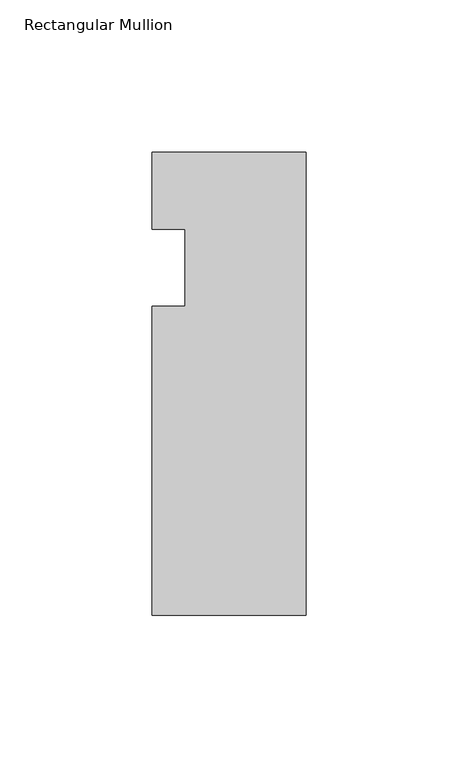
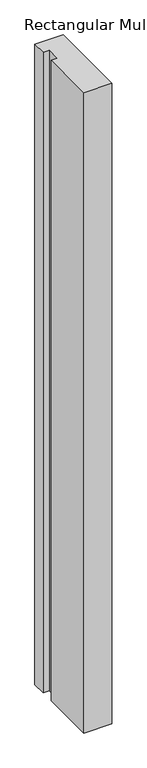
"""IFC4 building model written with IfcOpenShell, lengths in millimetres: member geometry, Rectangular Mullion."""

from ifc_helpers import new_model, si_unit, frame, origin, place, context, project, spatial, polyline, outline, extrude, source, transform, mapped, element, save


def rectangular_mullion_dbc8adaa(model_context):
    return source(origin(), model_context, "Body", "SweptSolid", [
        extrude(outline(polyline([(-50.8, -146.05), (-50.8, -44.45), (-39.8272, -44.45), (-39.8272, -19.05), (-50.8, -19.05), (-50.8, 6.35), (0.0, 6.35), (0.0, -146.05), (-50.8, -146.05)])), frame((0.0, 0.0, -1219.2), z_axis=(0.0, 0.0, 1.0), x_axis=(1.0, 0.0, 0.0)), (0.0, 0.0, 1.0), 1219.2),
    ])


if __name__ == "__main__":
    model = new_model("IFC4")
    model_context = context("Model", 3, world=origin())
    ifc_project = project(units=[si_unit("LENGTHUNIT", "METRE", prefix="MILLI")], contexts=[model_context])
    site = spatial("IfcSite", under=ifc_project)
    building = spatial("IfcBuilding", under=site)
    placement = place(None, origin())
    rectangular_mullion_shape = rectangular_mullion_dbc8adaa(model_context)
    element("IfcMember", 1, ObjectType="Rectangular Mullion", at=placement, inside=building, context=model_context, shape_type="MappedRepresentation", body=[
        mapped(rectangular_mullion_shape, transform((0.0, 0.0, 0.0), x_axis=(1.0, 0.0, 0.0), y_axis=(0.0, 1.0, 0.0), z_axis=(0.0, 0.0, 1.0))),
    ])
    save(model, "model.ifc")
